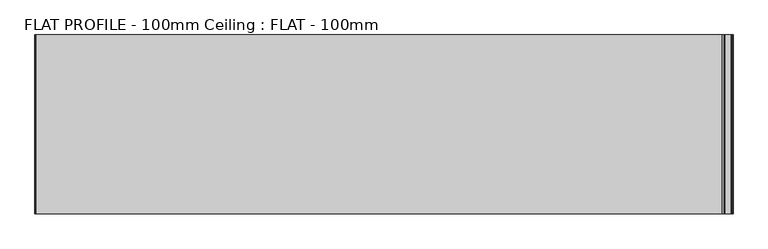
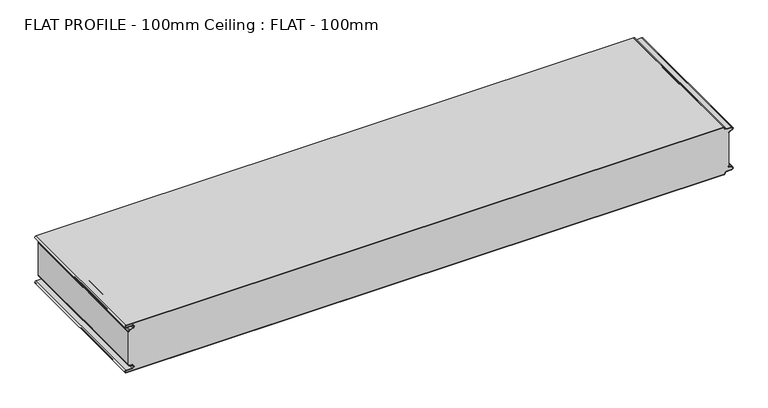
"""IFC4 building model written with IfcOpenShell, lengths in millimetres: proxy geometry, FLAT PROFILE - 100mm Ceiling : FLAT - 100mm."""

from ifc_helpers import new_model, si_unit, point, frame, frame_2d, origin, place, context, project, spatial, polyline, circle_curve, trimmed, segment, composite_curve, outline, extrude, source, transform, mapped, element, save


def flat_profile_100mm_ceiling_flat_100mm_89cff66b(model_context):
    return source(origin(), model_context, "Body", "SweptSolid", [
        extrude(outline(composite_curve([segment(polyline([(-591.3794419, 36.1128969), (-589.3904999, 36.9138856), (-583.8995097, 38.9124426)]), True, "CONTINUOUS"), segment(trimmed(circle_curve(frame_2d((-585.2882153, 42.3376495)), 3.6960175), [point((-583.8995097, 38.9124426))], [point((-584.9273771, 46.0160107))], True, "CARTESIAN"), True, "CONTINUOUS"), segment(polyline([(-584.9273771, 46.0160107), (-597.3733883, 46.0160107)]), True, "CONTINUOUS"), segment(trimmed(circle_curve(frame_2d((-597.4921978, 47.511298)), 1.5), [point((-597.3733883, 46.0160107))], [point((-597.3084562, 49.0000018))], False, "CARTESIAN"), True, "CONTINUOUS"), segment(polyline([(-597.3084562, 49.0000018), (596.902372, 49.0000018)]), True, "CONTINUOUS"), segment(trimmed(circle_curve(frame_2d((596.9047345, 47.4926459)), 1.5073578), [point((596.902372, 49.0000018))], [point((598.4115951, 47.4539337))], False, "CARTESIAN"), True, "CONTINUOUS"), segment(trimmed(circle_curve(frame_2d((601.9112919, 47.5000018)), 3.5), [point((598.4115951, 47.4539337))], [point((601.9112919, 44.0000018))], True, "CARTESIAN"), True, "CONTINUOUS"), segment(polyline([(601.9112919, 44.0000018), (612.3116271, 44.0000018)]), True, "CONTINUOUS"), segment(trimmed(circle_curve(frame_2d((612.3116271, 41.9000018)), 2.1), [point((612.3116271, 44.0000018))], [point((613.0435993, 39.9316988))], False, "CARTESIAN"), True, "CONTINUOUS"), segment(polyline([(613.0435993, 39.9316988), (610.7828028, 39.1063001), (607.8546835, 37.9154155)]), True, "CONTINUOUS"), segment(trimmed(circle_curve(frame_2d((608.9399875, 35.2468953)), 2.8807786), [point((607.8546835, 37.9154155))], [point((606.0682599, 35.475074))], True, "CARTESIAN"), True, "CONTINUOUS"), segment(polyline([(606.0682599, 35.475074), (606.0107004, 34.2522232), (607.0118076, 34.2522232), (607.0118076, -34.2522196), (606.0107004, -34.2522196), (606.0682599, -35.4750703)]), True, "CONTINUOUS"), segment(trimmed(circle_curve(frame_2d((608.9399875, -35.2468917)), 2.8807786), [point((606.0682599, -35.4750703))], [point((607.8546835, -37.9154119))], True, "CARTESIAN"), True, "CONTINUOUS"), segment(polyline([(607.8546835, -37.9154119), (610.7828028, -39.1062964), (613.0435993, -39.9316952)]), True, "CONTINUOUS"), segment(trimmed(circle_curve(frame_2d((612.3116271, -41.8999982)), 2.1), [point((613.0435993, -39.9316952))], [point((612.3116271, -43.9999982))], False, "CARTESIAN"), True, "CONTINUOUS"), segment(polyline([(612.3116271, -43.9999982), (601.9112919, -43.9999982)]), True, "CONTINUOUS"), segment(trimmed(circle_curve(frame_2d((601.9112919, -47.4999982)), 3.5), [point((601.9112919, -43.9999982))], [point((598.4115951, -47.4539301))], True, "CARTESIAN"), True, "CONTINUOUS"), segment(trimmed(circle_curve(frame_2d((596.9047345, -47.4926422)), 1.5073578), [point((598.4115951, -47.4539301))], [point((596.902372, -48.9999982))], False, "CARTESIAN"), True, "CONTINUOUS"), segment(polyline([(596.902372, -48.9999982), (-597.3084562, -48.9999982)]), True, "CONTINUOUS"), segment(trimmed(circle_curve(frame_2d((-597.4921978, -47.5112944)), 1.5), [point((-597.3084562, -48.9999982))], [point((-597.3733883, -46.016007))], False, "CARTESIAN"), True, "CONTINUOUS"), segment(polyline([(-597.3733883, -46.016007), (-584.9273771, -46.016007)]), True, "CONTINUOUS"), segment(trimmed(circle_curve(frame_2d((-585.2882153, -42.3376458)), 3.6960175), [point((-584.9273771, -46.016007))], [point((-583.8995097, -38.912439))], True, "CARTESIAN"), True, "CONTINUOUS"), segment(polyline([(-583.8995097, -38.912439), (-589.3904999, -36.913882), (-591.3794419, -36.1128933)]), True, "CONTINUOUS"), segment(trimmed(circle_curve(frame_2d((-591.0050311, -35.1831907)), 1.0022625), [point((-591.3794419, -36.1128933))], [point((-591.9881924, -35.377932))], False, "CARTESIAN"), True, "CONTINUOUS"), segment(polyline([(-591.9881924, -35.377932), (-591.9881924, -34.2522214), (-592.9881924, -34.2522214), (-592.9881924, 34.2522213), (-591.9881924, 34.2522213), (-591.9881924, 35.3779356)]), True, "CONTINUOUS"), segment(trimmed(circle_curve(frame_2d((-591.0050311, 35.1831944)), 1.0022625), [point((-591.9881924, 35.3779356))], [point((-591.3794419, 36.1128969))], False, "CARTESIAN"), True, "CONTINUOUS")], self_intersect=False)), frame((0.0, 2188.5000019, 2499.9999965), z_axis=(0.0, 1.0, 6.810226152681347e-10), x_axis=(1.0, 0.0, 0.0)), (0.0, 0.0, 1.0), 311.4999983),
        extrude(outline(composite_curve([segment(trimmed(circle_curve(frame_2d((-591.0050311, 35.1831925)), 1.0022625), [point((-591.3794419, 36.112895))], [point((-591.9881924, 35.3779338))], True, "CARTESIAN"), True, "CONTINUOUS"), segment(polyline([(-591.9881924, 35.3779338), (-591.9881924, 34.2522195), (-592.9881924, 34.2522195), (-592.9881924, 35.4591033)]), True, "CONTINUOUS"), segment(trimmed(circle_curve(frame_2d((-591.0050311, 35.1831925)), 2.0022625), [point((-592.9881924, 35.4591033))], [point((-591.7530074, 37.0404988))], False, "CARTESIAN"), True, "CONTINUOUS"), segment(polyline([(-591.7530074, 37.0404988), (-589.7483949, 37.8477984), (-584.2598383, 39.8454696)]), True, "CONTINUOUS"), segment(trimmed(circle_curve(frame_2d((-585.2882153, 42.3376476)), 2.6960175), [point((-584.2598383, 39.8454696))], [point((-584.9801705, 45.0160088))], True, "CARTESIAN"), True, "CONTINUOUS"), segment(polyline([(-584.9801705, 45.0160088), (-597.3387672, 45.0160088)]), True, "CONTINUOUS"), segment(trimmed(circle_curve(frame_2d((-597.4921978, 47.5112962)), 2.5), [point((-597.3387672, 45.0160088))], [point((-597.2548091, 50.0))], False, "CARTESIAN"), True, "CONTINUOUS"), segment(polyline([(-597.2548091, 50.0), (596.9016875, 50.0)]), True, "CONTINUOUS"), segment(trimmed(circle_curve(frame_2d((596.9047345, 47.492644)), 2.5073578), [point((596.9016875, 50.0))], [point((599.4117582, 47.4517157))], False, "CARTESIAN"), True, "CONTINUOUS"), segment(trimmed(circle_curve(frame_2d((601.9112919, 47.5)), 2.5), [point((599.4117582, 47.4517157))], [point((601.9112919, 45.0))], True, "CARTESIAN"), True, "CONTINUOUS"), segment(polyline([(601.9112919, 45.0), (612.3116271, 45.0)]), True, "CONTINUOUS"), segment(trimmed(circle_curve(frame_2d((612.3116271, 41.9)), 3.1), [point((612.3116271, 45.0))], [point((613.3890842, 38.9932688))], False, "CARTESIAN"), True, "CONTINUOUS"), segment(polyline([(613.3890842, 38.9932688), (611.1427659, 38.1731559), (608.2411829, 37.054925)]), True, "CONTINUOUS"), segment(trimmed(circle_curve(frame_2d((609.0514567, 35.1592647)), 2.0615701), [point((608.2411829, 37.054925))], [point((607.0118076, 35.4591033))], True, "CARTESIAN"), True, "CONTINUOUS"), segment(polyline([(607.0118076, 35.4591033), (607.0118076, 34.2522213), (606.0107004, 34.2522213), (606.0682599, 35.4750721)]), True, "CONTINUOUS"), segment(trimmed(circle_curve(frame_2d((608.9399875, 35.2468934)), 2.8807786), [point((606.0682599, 35.4750721))], [point((607.8546835, 37.9154137))], False, "CARTESIAN"), True, "CONTINUOUS"), segment(polyline([(607.8546835, 37.9154137), (610.7828028, 39.1062982), (613.0435993, 39.9316969)]), True, "CONTINUOUS"), segment(trimmed(circle_curve(frame_2d((612.3116271, 41.9)), 2.1), [point((613.0435993, 39.9316969))], [point((612.3116271, 44.0))], True, "CARTESIAN"), True, "CONTINUOUS"), segment(polyline([(612.3116271, 44.0), (601.9112919, 44.0)]), True, "CONTINUOUS"), segment(trimmed(circle_curve(frame_2d((601.9112919, 47.5)), 3.5), [point((601.9112919, 44.0))], [point((598.4115951, 47.4539318))], False, "CARTESIAN"), True, "CONTINUOUS"), segment(trimmed(circle_curve(frame_2d((596.9047345, 47.492644)), 1.5073578), [point((598.4115951, 47.4539318))], [point((596.902372, 49.0))], True, "CARTESIAN"), True, "CONTINUOUS"), segment(polyline([(596.902372, 49.0), (-597.3084562, 49.0)]), True, "CONTINUOUS"), segment(trimmed(circle_curve(frame_2d((-597.4921978, 47.5112962)), 1.5), [point((-597.3084562, 49.0))], [point((-597.3733883, 46.0160088))], True, "CARTESIAN"), True, "CONTINUOUS"), segment(polyline([(-597.3733883, 46.0160088), (-584.9273771, 46.0160088)]), True, "CONTINUOUS"), segment(trimmed(circle_curve(frame_2d((-585.2882153, 42.3376476)), 3.6960175), [point((-584.9273771, 46.0160088))], [point((-583.8995097, 38.9124407))], False, "CARTESIAN"), True, "CONTINUOUS"), segment(polyline([(-583.8995097, 38.9124407), (-589.3904999, 36.9138837), (-591.3794419, 36.112895)]), True, "CONTINUOUS")], self_intersect=False)), frame((0.0, 2188.5000002, 2500.0000099), z_axis=(0.0, 1.0, 6.810226152681347e-10), x_axis=(1.0, 0.0, 0.0)), (0.0, 0.0, 1.0), 311.4999983),
        extrude(outline(composite_curve([segment(polyline([(-591.3794419, -36.1128951), (-589.3904999, -36.9138838), (-583.8995097, -38.9124408)]), True, "CONTINUOUS"), segment(trimmed(circle_curve(frame_2d((-585.2882153, -42.3376477)), 3.6960175), [point((-583.8995097, -38.9124408))], [point((-584.9273771, -46.0160089))], False, "CARTESIAN"), True, "CONTINUOUS"), segment(polyline([(-584.9273771, -46.0160089), (-597.3733883, -46.0160089)]), True, "CONTINUOUS"), segment(trimmed(circle_curve(frame_2d((-597.4921978, -47.5112962)), 1.5), [point((-597.3733883, -46.0160089))], [point((-597.3084562, -49.0))], True, "CARTESIAN"), True, "CONTINUOUS"), segment(polyline([(-597.3084562, -49.0), (596.902372, -49.0)]), True, "CONTINUOUS"), segment(trimmed(circle_curve(frame_2d((596.9047345, -47.4926441)), 1.5073578), [point((596.902372, -49.0))], [point((598.4115951, -47.4539319))], True, "CARTESIAN"), True, "CONTINUOUS"), segment(trimmed(circle_curve(frame_2d((601.9112919, -47.5)), 3.5), [point((598.4115951, -47.4539319))], [point((601.9112919, -44.0))], False, "CARTESIAN"), True, "CONTINUOUS"), segment(polyline([(601.9112919, -44.0), (612.3116271, -44.0)]), True, "CONTINUOUS"), segment(trimmed(circle_curve(frame_2d((612.3116271, -41.9)), 2.1), [point((612.3116271, -44.0))], [point((613.0435993, -39.931697))], True, "CARTESIAN"), True, "CONTINUOUS"), segment(polyline([(613.0435993, -39.931697), (610.7828028, -39.1062983), (607.8546835, -37.9154138)]), True, "CONTINUOUS"), segment(trimmed(circle_curve(frame_2d((608.9399875, -35.2468935)), 2.8807786), [point((607.8546835, -37.9154138))], [point((606.0682599, -35.4750722))], False, "CARTESIAN"), True, "CONTINUOUS"), segment(polyline([(606.0682599, -35.4750722), (606.0107004, -34.2522214), (607.0118076, -34.2522214), (607.0118076, -35.4591033)]), True, "CONTINUOUS"), segment(trimmed(circle_curve(frame_2d((609.0514567, -35.1592648)), 2.0615701), [point((607.0118076, -35.4591033))], [point((608.2411829, -37.054925))], True, "CARTESIAN"), True, "CONTINUOUS"), segment(polyline([(608.2411829, -37.054925), (611.1427659, -38.173156), (613.3890842, -38.9932688)]), True, "CONTINUOUS"), segment(trimmed(circle_curve(frame_2d((612.3116271, -41.9)), 3.1), [point((613.3890842, -38.9932688))], [point((612.3116271, -45.0))], False, "CARTESIAN"), True, "CONTINUOUS"), segment(polyline([(612.3116271, -45.0), (601.9112919, -45.0)]), True, "CONTINUOUS"), segment(trimmed(circle_curve(frame_2d((601.9112919, -47.5)), 2.5), [point((601.9112919, -45.0))], [point((599.4117582, -47.4517158))], True, "CARTESIAN"), True, "CONTINUOUS"), segment(trimmed(circle_curve(frame_2d((596.9047345, -47.4926441)), 2.5073578), [point((599.4117582, -47.4517158))], [point((596.9016875, -50.0))], False, "CARTESIAN"), True, "CONTINUOUS"), segment(polyline([(596.9016875, -50.0), (-597.2548091, -50.0)]), True, "CONTINUOUS"), segment(trimmed(circle_curve(frame_2d((-597.4921978, -47.5112962)), 2.5), [point((-597.2548091, -50.0))], [point((-597.3387672, -45.0160089))], False, "CARTESIAN"), True, "CONTINUOUS"), segment(polyline([(-597.3387672, -45.0160089), (-584.9801705, -45.0160089)]), True, "CONTINUOUS"), segment(trimmed(circle_curve(frame_2d((-585.2882153, -42.3376477)), 2.6960175), [point((-584.9801705, -45.0160089))], [point((-584.2598383, -39.8454697))], True, "CARTESIAN"), True, "CONTINUOUS"), segment(polyline([(-584.2598383, -39.8454697), (-589.7483949, -37.8477985), (-591.7530074, -37.0404989)]), True, "CONTINUOUS"), segment(trimmed(circle_curve(frame_2d((-591.0050311, -35.1831926)), 2.0022625), [point((-591.7530074, -37.0404989))], [point((-592.9881924, -35.4591033))], False, "CARTESIAN"), True, "CONTINUOUS"), segment(polyline([(-592.9881924, -35.4591033), (-592.9881924, -34.2522196), (-591.9881924, -34.2522196), (-591.9881924, -35.3779338)]), True, "CONTINUOUS"), segment(trimmed(circle_curve(frame_2d((-591.0050311, -35.1831926)), 1.0022625), [point((-591.9881924, -35.3779338))], [point((-591.3794419, -36.1128951))], True, "CARTESIAN"), True, "CONTINUOUS")], self_intersect=False)), frame((0.0, 2188.5000002, 2500.0000099), z_axis=(0.0, 1.0, 6.810226152681347e-10), x_axis=(1.0, 0.0, 0.0)), (0.0, 0.0, 1.0), 311.4999983),
    ])


if __name__ == "__main__":
    model = new_model("IFC4")
    model_context = context("Model", 3, world=origin())
    ifc_project = project(units=[si_unit("LENGTHUNIT", "METRE", prefix="MILLI")], contexts=[model_context])
    site = spatial("IfcSite", under=ifc_project)
    building = spatial("IfcBuilding", under=site)
    placement = place(None, origin())
    flat_profile_100mm_ceiling_flat_100mm_shape = flat_profile_100mm_ceiling_flat_100mm_89cff66b(model_context)
    element("IfcBuildingElementProxy", 1, Name="FLAT PROFILE - 100mm Ceiling : FLAT - 100mm", ObjectType="FLAT PROFILE - 100mm Ceiling : FLAT - 100mm", at=placement, inside=building, context=model_context, shape_type="MappedRepresentation", body=[
        mapped(flat_profile_100mm_ceiling_flat_100mm_shape, transform((0.0, 0.0, 0.0), x_axis=(1.0, 0.0, 0.0), y_axis=(0.0, 1.0, 0.0), z_axis=(0.0, 0.0, 1.0))),
    ])
    save(model, "model.ifc")
